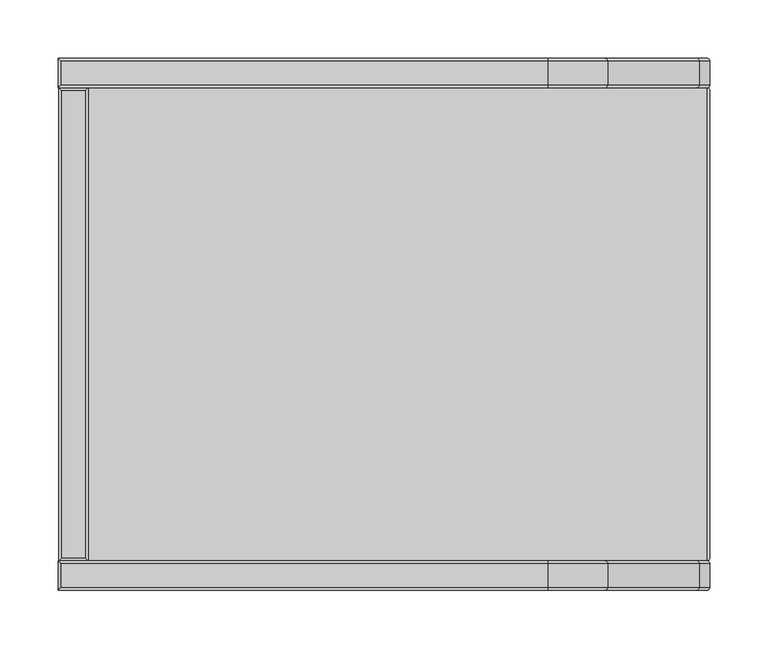
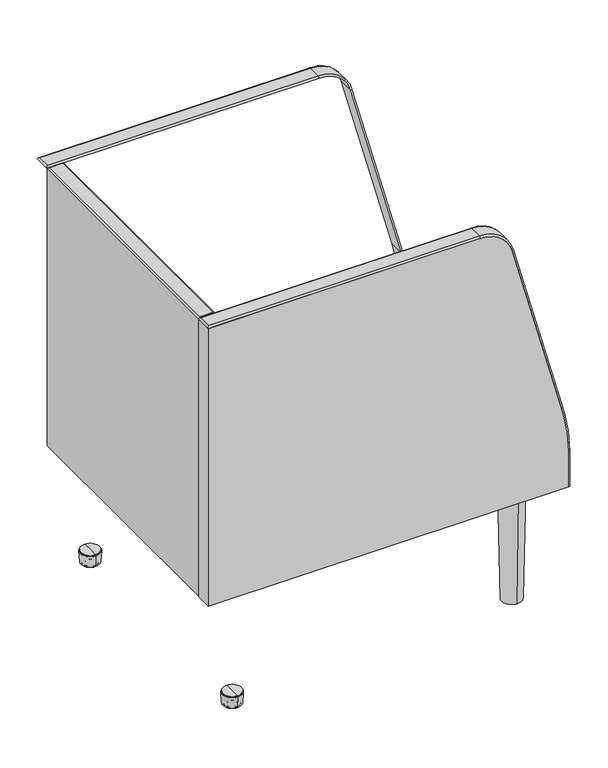
"""IFC4 building model written with IfcOpenShell, lengths in millimetres: furniture geometry."""

from ifc_helpers import new_model, si_unit, point, frame, frame_2d, origin, place, context, project, spatial, polyline, circle_curve, ellipse_curve, trimmed, segment, composite_curve, outline, extrude, source, transform, mapped, element, save
from ifc_brep_helpers import plane_surface, cylinder_surface, revolved_surface, advanced_brep


def furniture_e330b576(model_context):
    return source(origin(), model_context, "Body", "SolidModel", [
        advanced_brep(
        [(280.0, -205.74, 203.6953), (280.0, -226.06, 203.6953), (277.46, -228.6, 203.6953), (277.46, -203.2, 203.6953), (280.0, -205.74, 260.3955737), (280.0, -226.06, 260.3955737), (277.46, -203.2, 260.3955737), (271.3451599, -205.74, 326.1356111), (271.3451599, -226.06, 326.1356111), (268.8917083, -203.2, 325.4782107), (192.5613726, -205.74, 620.1607079), (192.5613726, -226.06, 620.1607079), (190.107921, -203.2, 619.5033075), (141.0388891, -205.74, 659.6953), (141.0388891, -226.06, 659.6953), (141.0388891, -203.2, 657.1553), (-260.95, -205.74, 659.6953), (-277.46, -205.74, 659.6953), (-277.46, -226.06, 659.6953), (-265.5459403, -226.06, 659.6953), (-260.95, -203.2, 657.1553), (-280.0, -203.2, 657.1553), (277.46, -228.6, 260.3955737), (268.8917083, -228.6, 325.4782107), (190.107921, -228.6, 619.5033075), (141.0388891, -228.6, 657.1553), (-280.0, -228.6, 657.1553), (-265.5459403, -228.6, 657.1553)],
        [
            (0, 1),
            (1, 2, circle_curve(frame((277.46, -226.06, 203.6953), z_axis=(0.0, 0.0, -1.0), x_axis=(0.0, -1.0, 0.0)), 2.54)),
            (2, 3),
            (3, 0, circle_curve(frame((277.46, -205.74, 203.6953), z_axis=(0.0, 0.0, -1.0), x_axis=(0.0, -1.0, 0.0)), 2.54)),
            (0, 4),
            (4, 5),
            (5, 1),
            (3, 6),
            (6, 4, circle_curve(frame((277.46, -205.74, 260.3955737), z_axis=(0.0, 0.0, -1.0), x_axis=(0.0, -1.0, 0.0)), 2.54)),
            (4, 7, circle_curve(frame((26.0, -205.74, 260.3955737), z_axis=(0.0, -1.0, 0.0), x_axis=(1.0, 0.0, 0.0)), 254.0)),
            (7, 8),
            (8, 5, circle_curve(frame((26.0, -226.06, 260.3955737), z_axis=(0.0, 1.0, 0.0), x_axis=(1.0, 0.0, 0.0)), 254.0)),
            (6, 9, circle_curve(frame((26.0, -203.2, 260.3955737), z_axis=(0.0, -1.0, 0.0), x_axis=(1.0, 0.0, 0.0)), 251.46)),
            (9, 7, circle_curve(frame((268.8917083, -205.74, 325.4782107), z_axis=(0.25881904510312204, 0.0, -0.9659258262889072), x_axis=(0.0, -1.0, 0.0)), 2.54)),
            (7, 10),
            (10, 11),
            (11, 8),
            (9, 12),
            (12, 10, circle_curve(frame((190.107921, -205.74, 619.5033075), z_axis=(0.25881904510312226, 0.0, -0.9659258262889072), x_axis=(0.0, -1.0, 0.0)), 2.54)),
            (10, 13, circle_curve(frame((141.0388891, -205.74, 606.3553), z_axis=(0.0, -1.0, 0.0), x_axis=(0.9659258262889057, 0.0, 0.25881904510312786)), 53.34)),
            (13, 14),
            (14, 11, circle_curve(frame((141.0388891, -226.06, 606.3553), z_axis=(0.0, 1.0, 0.0), x_axis=(0.9659258262889057, 0.0, 0.25881904510312786)), 53.34)),
            (12, 15, circle_curve(frame((141.0388891, -203.2, 606.3553), z_axis=(0.0, -1.0, 0.0), x_axis=(0.9659258262889057, 0.0, 0.25881904510312786)), 50.8)),
            (15, 13, circle_curve(frame((141.0388891, -205.74, 657.1553), z_axis=(1.0, 0.0, 0.0), x_axis=(0.0, -1.0, 0.0)), 2.54)),
            (13, 16),
            (16, 17),
            (17, 18),
            (18, 19),
            (19, 14),
            (15, 20),
            (20, 21),
            (21, 17, ellipse_curve(frame((-277.46, -205.74, 657.1553), z_axis=(0.7071067811865475, 0.7071067811865475, 0.0), x_axis=(0.7071067811865476, -0.7071067811865474, 0.0)), 3.5921024, 2.54)),
            (5, 22, circle_curve(frame((277.46, -226.06, 260.3955737), z_axis=(0.0, 0.0, -1.0), x_axis=(0.0, -1.0, 0.0)), 2.54)),
            (22, 2),
            (22, 6),
            (8, 23, circle_curve(frame((268.8917083, -226.06, 325.4782107), z_axis=(0.25881904510312204, 0.0, -0.9659258262889072), x_axis=(0.0, -1.0, 0.0)), 2.54)),
            (23, 22, circle_curve(frame((26.0, -228.6, 260.3955737), z_axis=(0.0, 1.0, 0.0), x_axis=(1.0, 0.0, 0.0)), 251.46)),
            (23, 9),
            (11, 24, circle_curve(frame((190.107921, -226.06, 619.5033075), z_axis=(0.25881904510312226, 0.0, -0.9659258262889072), x_axis=(0.0, -1.0, 0.0)), 2.54)),
            (24, 23),
            (24, 12),
            (14, 25, circle_curve(frame((141.0388891, -226.06, 657.1553), z_axis=(1.0, 0.0, 0.0), x_axis=(0.0, -1.0, 0.0)), 2.54)),
            (25, 24, circle_curve(frame((141.0388891, -228.6, 606.3553), z_axis=(0.0, 1.0, 0.0), x_axis=(0.9659258262889057, 0.0, 0.25881904510312786)), 50.8)),
            (25, 15),
            (18, 26, ellipse_curve(frame((-277.46, -226.06, 657.1553), z_axis=(0.7071067811865475, -0.7071067811865475, 0.0), x_axis=(0.7071067811865476, 0.7071067811865474, 0.0)), 3.5921024, 2.54)),
            (26, 27),
            (27, 25),
            (26, 21),
        ],
        [
            plane_surface(frame((280.0, -203.2, 203.6953), z_axis=(0.0, 0.0, -1.0), x_axis=(1.0, 0.0, 0.0))),
            plane_surface(frame((280.0, -205.74, 203.6953), z_axis=(1.0, 0.0, 0.0), x_axis=(0.0, 0.0, 1.0))),
            cylinder_surface(frame((277.46, -205.74, 203.6953), z_axis=(0.0, 0.0, -1.0), x_axis=(0.0, -1.0, 0.0)), 2.54),
            cylinder_surface(frame((26.0, -203.2, 260.3955737), z_axis=(0.0, -1.0, 0.0), x_axis=(1.0, 0.0, 0.0)), 254.0),
            revolved_surface(trimmed(ellipse_curve(frame((277.46, -205.74, 260.3955737), z_axis=(0.0, 0.0, -1.0), x_axis=(0.0, -1.0, 0.0)), 2.54, 2.54), [point((277.46, -203.2, 260.3955737))], [point((280.0, -205.74, 260.3955737))], True, "CARTESIAN"), (26.0, -203.2, 260.3955737), (0.0, -1.0, 0.0)),
            plane_surface(frame((271.3451599, -205.74, 326.1356111), z_axis=(0.9659258262889071, 0.0, 0.2588190451031223), x_axis=(-0.2588190451031223, 0.0, 0.9659258262889071))),
            cylinder_surface(frame((268.8917083, -205.74, 325.4782107), z_axis=(0.25881904510312226, 0.0, -0.9659258262889072), x_axis=(0.0, -1.0, 0.0)), 2.54),
            cylinder_surface(frame((141.0388891, -203.2, 606.3553), z_axis=(0.0, -1.0, 0.0), x_axis=(0.9659258262889057, 0.0, 0.25881904510312786)), 53.34),
            revolved_surface(trimmed(ellipse_curve(frame((190.107921, -205.74, 619.5033075), z_axis=(0.2588190451031279, 0.0, -0.9659258262889057), x_axis=(0.0, -1.0, 0.0)), 2.54, 2.54), [point((190.107921, -203.2, 619.5033075))], [point((192.5613726, -205.74, 620.1607079))], True, "CARTESIAN"), (141.0388891, -203.2, 606.3553), (0.0, -1.0, 0.0)),
            plane_surface(frame((141.0388891, -205.74, 659.6953), z_axis=(0.0, 0.0, 1.0), x_axis=(-1.0, 0.0, 0.0))),
            cylinder_surface(frame((141.0388891, -205.74, 657.1553), z_axis=(1.0, 0.0, 0.0), x_axis=(0.0, -1.0, 0.0)), 2.54),
            cylinder_surface(frame((277.46, -226.06, 203.6953), z_axis=(0.0, 0.0, -1.0), x_axis=(0.0, -1.0, 0.0)), 2.54),
            plane_surface(frame((277.46, -228.6, 203.6953), z_axis=(-1.0, 0.0, 0.0), x_axis=(0.0, 0.0, 1.0))),
            revolved_surface(trimmed(ellipse_curve(frame((277.46, -226.06, 260.3955737), z_axis=(0.0, 0.0, -1.0), x_axis=(0.0, -1.0, 0.0)), 2.54, 2.54), [point((280.0, -226.06, 260.3955737))], [point((277.46, -228.6, 260.3955737))], True, "CARTESIAN"), (26.0, -203.2, 260.3955737), (0.0, -1.0, 0.0)),
            revolved_surface(polyline([(277.46000000000004, -228.6, 260.3955737), (277.46000000000004, -203.2, 260.3955737)]), (26.0, -203.2, 260.3955737), (0.0, -1.0, 0.0)),
            cylinder_surface(frame((268.8917083, -226.06, 325.4782107), z_axis=(0.25881904510312226, 0.0, -0.9659258262889072), x_axis=(0.0, -1.0, 0.0)), 2.54),
            plane_surface(frame((268.8917083, -228.6, 325.4782107), z_axis=(-0.9659258262889071, 0.0, -0.25881904510312215), x_axis=(-0.25881904510312215, 0.0, 0.9659258262889071))),
            revolved_surface(trimmed(ellipse_curve(frame((190.107921, -226.06, 619.5033075), z_axis=(0.2588190451031279, 0.0, -0.9659258262889057), x_axis=(0.0, -1.0, 0.0)), 2.54, 2.54), [point((192.5613726, -226.06, 620.1607079))], [point((190.107921, -228.6, 619.5033075))], True, "CARTESIAN"), (141.0388891, -203.2, 606.3553), (0.0, -1.0, 0.0)),
            revolved_surface(polyline([(190.1079210754764, -228.6, 619.503307491239), (190.1079210754764, -203.2, 619.503307491239)]), (141.0388891, -203.2, 606.3553), (0.0, -1.0, 0.0)),
            cylinder_surface(frame((141.0388891, -226.06, 657.1553), z_axis=(1.0, 0.0, 0.0), x_axis=(0.0, -1.0, 0.0)), 2.54),
            plane_surface(frame((141.0388891, -228.6, 657.1553), z_axis=(0.0, 0.0, -1.0), x_axis=(-1.0, 0.0, 0.0))),
            cylinder_surface(frame((-277.46, -228.6, 657.1553), z_axis=(0.0, 1.0, 0.0), x_axis=(1.0, 0.0, 0.0)), 2.54),
        ],
        [
            (0, [[1, 2, 3, 4]]),
            (1, [[-1, 5, 6, 7]]),
            (2, [[-4, 8, 9, -5]]),
            (3, [[-6, 10, 11, 12]]),
            (4, [[-9, 13, 14, -10]]),
            (5, [[-11, 15, 16, 17]]),
            (6, [[-14, 18, 19, -15]]),
            (7, [[-16, 20, 21, 22]]),
            (8, [[-19, 23, 24, -20]]),
            (9, [[-21, 25, 26, 27, 28, 29]]),
            (10, [[-24, 30, 31, 32, -26, -25]]),
            (11, [[-2, -7, 33, 34]]),
            (12, [[-3, -34, 35, -8]]),
            (13, [[-12, 36, 37, -33]]),
            (14, [[-13, -35, -37, 38]]),
            (15, [[-17, 39, 40, -36]]),
            (16, [[-18, -38, -40, 41]]),
            (17, [[-22, 42, 43, -39]]),
            (18, [[-23, -41, -43, 44]]),
            (19, [[-42, -29, -28, 45, 46, 47]]),
            (20, [[-44, -47, -46, 48, -31, -30]]),
            (21, [[-27, -32, -48, -45]]),
        ],
    ),
        advanced_brep(
        [(280.0, 205.74, 203.6953), (277.46, 203.2, 203.6953), (277.46, 228.6, 203.6953), (280.0, 226.06, 203.6953), (280.0, 226.06, 260.3955737), (280.0, 205.74, 260.3955737), (277.46, 203.2, 260.3955737), (271.3451599, 226.06, 326.1356111), (271.3451599, 205.74, 326.1356111), (268.8917083, 203.2, 325.4782107), (192.5613726, 226.06, 620.1607079), (192.5613726, 205.74, 620.1607079), (190.107921, 203.2, 619.5033075), (141.0388891, 226.06, 659.6953), (141.0388891, 205.74, 659.6953), (141.0388891, 203.2, 657.1553), (-265.5459403, 226.06, 659.6953), (-277.46, 226.06, 659.6953), (-277.46, 205.74, 659.6953), (-260.95, 205.74, 659.6953), (-280.0, 203.2, 657.1553), (-260.95, 203.2, 657.1553), (277.46, 228.6, 260.3955737), (268.8917083, 228.6, 325.4782107), (190.107921, 228.6, 619.5033075), (141.0388891, 228.6, 657.1553), (-265.5459403, 228.6, 657.1553), (-280.0, 228.6, 657.1553)],
        [
            (0, 1, circle_curve(frame((277.46, 205.74, 203.6953), z_axis=(0.0, 0.0, -1.0), x_axis=(0.0, -1.0, 0.0)), 2.54)),
            (1, 2),
            (2, 3, circle_curve(frame((277.46, 226.06, 203.6953), z_axis=(0.0, 0.0, -1.0), x_axis=(0.0, -1.0, 0.0)), 2.54)),
            (3, 0),
            (3, 4),
            (4, 5),
            (5, 0),
            (5, 6, circle_curve(frame((277.46, 205.74, 260.3955737), z_axis=(0.0, 0.0, -1.0), x_axis=(0.0, -1.0, 0.0)), 2.54)),
            (6, 1),
            (4, 7, circle_curve(frame((26.0, 226.06, 260.3955737), z_axis=(0.0, -1.0, 0.0), x_axis=(1.0, 0.0, 0.0)), 254.0)),
            (7, 8),
            (8, 5, circle_curve(frame((26.0, 205.74, 260.3955737), z_axis=(0.0, 1.0, 0.0), x_axis=(1.0, 0.0, 0.0)), 254.0)),
            (8, 9, circle_curve(frame((268.8917083, 205.74, 325.4782107), z_axis=(0.25881904510312204, 0.0, -0.9659258262889072), x_axis=(0.0, -1.0, 0.0)), 2.54)),
            (9, 6, circle_curve(frame((26.0, 203.2, 260.3955737), z_axis=(0.0, 1.0, 0.0), x_axis=(1.0, 0.0, 0.0)), 251.46)),
            (7, 10),
            (10, 11),
            (11, 8),
            (11, 12, circle_curve(frame((190.107921, 205.74, 619.5033075), z_axis=(0.25881904510312226, 0.0, -0.9659258262889072), x_axis=(0.0, -1.0, 0.0)), 2.54)),
            (12, 9),
            (10, 13, circle_curve(frame((141.0388891, 226.06, 606.3553), z_axis=(0.0, -1.0, 0.0), x_axis=(0.9659258262889057, 0.0, 0.25881904510312786)), 53.34)),
            (13, 14),
            (14, 11, circle_curve(frame((141.0388891, 205.74, 606.3553), z_axis=(0.0, 1.0, 0.0), x_axis=(0.9659258262889057, 0.0, 0.25881904510312786)), 53.34)),
            (14, 15, circle_curve(frame((141.0388891, 205.74, 657.1553), z_axis=(1.0, 0.0, 0.0), x_axis=(0.0, -1.0, 0.0)), 2.54)),
            (15, 12, circle_curve(frame((141.0388891, 203.2, 606.3553), z_axis=(0.0, 1.0, 0.0), x_axis=(0.9659258262889057, 0.0, 0.25881904510312786)), 50.8)),
            (13, 16),
            (16, 17),
            (17, 18),
            (18, 19),
            (19, 14),
            (18, 20, ellipse_curve(frame((-277.46, 205.74, 657.1553), z_axis=(0.7071067811865475, -0.7071067811865475, 0.0), x_axis=(0.7071067811865476, 0.7071067811865474, 0.0)), 3.5921024, 2.54)),
            (20, 21),
            (21, 15),
            (2, 22),
            (22, 4, circle_curve(frame((277.46, 226.06, 260.3955737), z_axis=(0.0, 0.0, -1.0), x_axis=(0.0, -1.0, 0.0)), 2.54)),
            (6, 22),
            (22, 23, circle_curve(frame((26.0, 228.6, 260.3955737), z_axis=(0.0, -1.0, 0.0), x_axis=(1.0, 0.0, 0.0)), 251.46)),
            (23, 7, circle_curve(frame((268.8917083, 226.06, 325.4782107), z_axis=(0.25881904510312187, 0.0, -0.9659258262889072), x_axis=(0.0, -1.0, 0.0)), 2.54)),
            (9, 23),
            (23, 24),
            (24, 10, circle_curve(frame((190.107921, 226.06, 619.5033075), z_axis=(0.25881904510312226, 0.0, -0.9659258262889072), x_axis=(0.0, -1.0, 0.0)), 2.54)),
            (12, 24),
            (24, 25, circle_curve(frame((141.0388891, 228.6, 606.3553), z_axis=(0.0, -1.0, 0.0), x_axis=(0.9659258262889057, 0.0, 0.25881904510312786)), 50.8)),
            (25, 13, circle_curve(frame((141.0388891, 226.06, 657.1553), z_axis=(1.0, 0.0, 0.0), x_axis=(0.0, -1.0, 0.0)), 2.54)),
            (15, 25),
            (25, 26),
            (26, 27),
            (27, 17, ellipse_curve(frame((-277.46, 226.06, 657.1553), z_axis=(0.7071067811865475, 0.7071067811865475, 0.0), x_axis=(0.7071067811865476, -0.7071067811865474, 0.0)), 3.5921024, 2.54)),
            (20, 27),
        ],
        [
            plane_surface(frame((280.0, 203.2, 203.6953), z_axis=(0.0, 0.0, -1.0), x_axis=(1.0, 0.0, 0.0))),
            plane_surface(frame((280.0, 226.06, 203.6953), z_axis=(1.0, 0.0, 0.0), x_axis=(0.0, 0.0, 1.0))),
            cylinder_surface(frame((277.46, 205.74, 203.6953), z_axis=(0.0, 0.0, -1.0), x_axis=(0.0, -1.0, 0.0)), 2.54),
            cylinder_surface(frame((26.0, 203.2, 260.3955737), z_axis=(0.0, -1.0, 0.0), x_axis=(1.0, 0.0, 0.0)), 254.0),
            revolved_surface(trimmed(ellipse_curve(frame((277.46, 205.74, 260.3955737), z_axis=(0.0, 0.0, -1.0), x_axis=(0.0, -1.0, 0.0)), 2.54, 2.54), [point((280.0, 205.74, 260.3955737))], [point((277.46, 203.2, 260.3955737))], True, "CARTESIAN"), (26.0, 203.2, 260.3955737), (0.0, -1.0, 0.0)),
            plane_surface(frame((271.3451599, 226.06, 326.1356111), z_axis=(0.9659258262889071, 0.0, 0.2588190451031223), x_axis=(-0.2588190451031223, 0.0, 0.9659258262889071))),
            cylinder_surface(frame((268.8917083, 205.74, 325.4782107), z_axis=(0.25881904510312226, 0.0, -0.9659258262889072), x_axis=(0.0, -1.0, 0.0)), 2.54),
            cylinder_surface(frame((141.0388891, 203.2, 606.3553), z_axis=(0.0, -1.0, 0.0), x_axis=(0.9659258262889057, 0.0, 0.25881904510312786)), 53.34),
            revolved_surface(trimmed(ellipse_curve(frame((190.107921, 205.74, 619.5033075), z_axis=(0.2588190451031279, 0.0, -0.9659258262889057), x_axis=(0.0, -1.0, 0.0)), 2.54, 2.54), [point((192.5613726, 205.74, 620.1607079))], [point((190.107921, 203.2, 619.5033075))], True, "CARTESIAN"), (141.0388891, 203.2, 606.3553), (0.0, -1.0, 0.0)),
            plane_surface(frame((141.0388891, 226.06, 659.6953), z_axis=(0.0, 0.0, 1.0), x_axis=(-1.0, 0.0, 0.0))),
            cylinder_surface(frame((141.0388891, 205.74, 657.1553), z_axis=(1.0, 0.0, 0.0), x_axis=(0.0, -1.0, 0.0)), 2.54),
            cylinder_surface(frame((277.46, 226.06, 203.6953), z_axis=(0.0, 0.0, -1.0), x_axis=(0.0, -1.0, 0.0)), 2.54),
            plane_surface(frame((277.46, 203.2, 203.6953), z_axis=(-1.0, 0.0, 0.0), x_axis=(0.0, 0.0, 1.0))),
            revolved_surface(trimmed(ellipse_curve(frame((277.46, 226.06, 260.3955737), z_axis=(0.0, 0.0, -1.0), x_axis=(0.0, -1.0, 0.0)), 2.54, 2.54), [point((277.46, 228.6, 260.3955737))], [point((280.0, 226.06, 260.3955737))], True, "CARTESIAN"), (26.0, 203.2, 260.3955737), (0.0, -1.0, 0.0)),
            revolved_surface(polyline([(277.46000000000004, 203.2, 260.3955737), (277.46000000000004, 228.6, 260.3955737)]), (26.0, 203.2, 260.3955737), (0.0, -1.0, 0.0)),
            cylinder_surface(frame((268.8917083, 226.06, 325.4782107), z_axis=(0.25881904510312226, 0.0, -0.9659258262889072), x_axis=(0.0, -1.0, 0.0)), 2.54),
            plane_surface(frame((268.8917083, 203.2, 325.4782107), z_axis=(-0.9659258262889071, 0.0, -0.2588190451031222), x_axis=(-0.2588190451031222, 0.0, 0.9659258262889071))),
            revolved_surface(trimmed(ellipse_curve(frame((190.107921, 226.06, 619.5033075), z_axis=(0.2588190451031279, 0.0, -0.9659258262889057), x_axis=(0.0, -1.0, 0.0)), 2.54, 2.54), [point((190.107921, 228.6, 619.5033075))], [point((192.5613726, 226.06, 620.1607079))], True, "CARTESIAN"), (141.0388891, 203.2, 606.3553), (0.0, -1.0, 0.0)),
            revolved_surface(polyline([(190.1079210754764, 203.2, 619.503307491239), (190.1079210754764, 228.6, 619.503307491239)]), (141.0388891, 203.2, 606.3553), (0.0, -1.0, 0.0)),
            cylinder_surface(frame((141.0388891, 226.06, 657.1553), z_axis=(1.0, 0.0, 0.0), x_axis=(0.0, -1.0, 0.0)), 2.54),
            plane_surface(frame((141.0388891, 203.2, 657.1553), z_axis=(0.0, 0.0, -1.0), x_axis=(-1.0, 0.0, 0.0))),
            cylinder_surface(frame((-277.46, 228.6, 657.1553), z_axis=(0.0, -1.0, 0.0), x_axis=(-1.0, 0.0, 0.0)), 2.54),
        ],
        [
            (0, [[1, 2, 3, 4]]),
            (1, [[-4, 5, 6, 7]]),
            (2, [[-1, -7, 8, 9]]),
            (3, [[-6, 10, 11, 12]]),
            (4, [[-8, -12, 13, 14]]),
            (5, [[-11, 15, 16, 17]]),
            (6, [[-13, -17, 18, 19]]),
            (7, [[-16, 20, 21, 22]]),
            (8, [[-18, -22, 23, 24]]),
            (9, [[-21, 25, 26, 27, 28, 29]]),
            (10, [[-23, -29, -28, 30, 31, 32]]),
            (11, [[-3, 33, 34, -5]]),
            (12, [[-2, -9, 35, -33]]),
            (13, [[-10, -34, 36, 37]]),
            (14, [[-14, 38, -36, -35]]),
            (15, [[-15, -37, 39, 40]]),
            (16, [[-19, 41, -39, -38]]),
            (17, [[-20, -40, 42, 43]]),
            (18, [[-24, 44, -42, -41]]),
            (19, [[-43, 45, 46, 47, -26, -25]]),
            (20, [[-44, -32, -31, 48, -46, -45]]),
            (21, [[-27, -47, -48, -30]]),
        ],
    ),
        advanced_brep(
        [(211.4, -208.9342959, 199.1233), (211.4, -171.1657041, 199.1233), (211.4, -190.05, 199.1233), (211.4, -205.298044, 21.4249), (211.4, -174.801956, 21.4249), (211.4, -190.05, 21.4249)],
        [
            (0, 1, circle_curve(frame((211.4, -190.05, 199.1233), z_axis=(0.0, 0.0, 1.0), x_axis=(0.0, 1.0, 0.0)), 18.8842959)),
            (1, 2),
            (2, 0),
            (1, 0, circle_curve(frame((211.4, -190.05, 199.1233), z_axis=(0.0, 0.0, 1.0), x_axis=(0.0, 1.0, 0.0)), 18.8842959)),
            (3, 4, circle_curve(frame((211.4, -190.05, 21.4249), z_axis=(0.0, 0.0, 1.0), x_axis=(0.0, 1.0, 0.0)), 15.248044)),
            (4, 1),
            (0, 3),
            (4, 3, circle_curve(frame((211.4, -190.05, 21.4249), z_axis=(0.0, 0.0, 1.0), x_axis=(0.0, 1.0, 0.0)), 15.248044)),
            (5, 4),
            (3, 5),
        ],
        [
            plane_surface(frame((211.4, -190.05, 199.1233), z_axis=(0.0, 0.0, 1.0), x_axis=(0.0, 1.0, 0.0))),
            revolved_surface(polyline([(211.4, -171.1657041, 199.1233), (211.4, -174.801956, 21.4249)]), (211.4, -190.05, 21.4249), (0.0, 0.0, -1.0)),
            plane_surface(frame((211.4, -190.05, 21.4249), z_axis=(0.0, 0.0, -1.0), x_axis=(0.0, 1.0, 0.0))),
        ],
        [
            (0, [[1, 2, 3]]),
            (0, [[4, -3, -2]]),
            (1, [[5, 6, -1, 7]]),
            (1, [[8, -7, -4, -6]]),
            (2, [[9, -5, 10]]),
            (2, [[-10, -8, -9]]),
        ],
    ),
        advanced_brep(
        [(-220.6, -196.4790815, 1.1063387), (-220.6, -183.6209185, 1.1063387), (-220.6, -190.05, 1.1063387), (-220.6, -200.7492843, 0.0), (-220.6, -179.3507157, 0.0), (-220.6, -182.3482214, 0.0), (-220.6, -197.7517786, 0.0), (-220.6, -201.8714808, 1.1221965), (-220.6, -178.2285192, 1.1221965), (-220.6, -202.9279522, 2.38125), (-220.6, -177.1720478, 2.38125), (-220.6, -204.3140455, 2.38125), (-220.6, -175.7859545, 2.38125), (-220.6, -205.2392, 20.03425), (-220.6, -174.8608, 20.03425), (-220.6, -204.4373425, 20.03425), (-220.6, -175.6626575, 20.03425), (-220.6, -204.2419061, 21.4249), (-220.6, -175.8580939, 21.4249), (-220.6, -190.05, 21.4249)],
        [
            (0, 1, circle_curve(frame((-220.6, -190.05, 1.1063387), z_axis=(0.0, 0.0, -1.0), x_axis=(0.0, 1.0, 0.0)), 6.4290815)),
            (1, 2),
            (2, 0),
            (1, 0, circle_curve(frame((-220.6, -190.05, 1.1063387), z_axis=(0.0, 0.0, -1.0), x_axis=(0.0, 1.0, 0.0)), 6.4290815)),
            (3, 4, circle_curve(frame((-220.6, -190.05, 0.0), z_axis=(0.0, 0.0, -1.0), x_axis=(0.0, 1.0, 0.0)), 10.6992843)),
            (4, 5),
            (5, 6, circle_curve(frame((-220.6, -190.05, 0.0), z_axis=(0.0, 0.0, 1.0), x_axis=(0.0, 1.0, 0.0)), 7.7017786)),
            (6, 3),
            (4, 3, circle_curve(frame((-220.6, -190.05, 0.0), z_axis=(0.0, 0.0, -1.0), x_axis=(0.0, 1.0, 0.0)), 10.6992843)),
            (6, 5, circle_curve(frame((-220.6, -190.05, 0.0), z_axis=(0.0, 0.0, 1.0), x_axis=(0.0, 1.0, 0.0)), 7.7017786)),
            (7, 8, circle_curve(frame((-220.6, -190.05, 1.1221965), z_axis=(0.0, 0.0, -1.0), x_axis=(0.0, 1.0, 0.0)), 11.8214808)),
            (8, 4, circle_curve(frame((-220.6, -179.3507157, 1.1221965), z_axis=(-1.0, 0.0, 0.0), x_axis=(0.0, 1.0, 0.0)), 1.1221965)),
            (3, 7, circle_curve(frame((-220.6, -200.7492843, 1.1221965), z_axis=(-1.0, 0.0, 0.0), x_axis=(0.0, -1.0, 0.0)), 1.1221965)),
            (8, 7, circle_curve(frame((-220.6, -190.05, 1.1221965), z_axis=(0.0, 0.0, -1.0), x_axis=(0.0, 1.0, 0.0)), 11.8214808)),
            (9, 10, circle_curve(frame((-220.6, -190.05, 2.38125), z_axis=(0.0, 0.0, -1.0), x_axis=(0.0, 1.0, 0.0)), 12.8779522)),
            (10, 8, circle_curve(frame((-220.6, -177.0588716, 1.2135148), z_axis=(1.0, 0.0, 0.0), x_axis=(0.0, 1.0, 0.0)), 1.1732069)),
            (7, 9, circle_curve(frame((-220.6, -203.0411284, 1.2135148), z_axis=(1.0, 0.0, 0.0), x_axis=(0.0, -1.0, 0.0)), 1.1732069)),
            (10, 9, circle_curve(frame((-220.6, -190.05, 2.38125), z_axis=(0.0, 0.0, -1.0), x_axis=(0.0, 1.0, 0.0)), 12.8779522)),
            (11, 12, circle_curve(frame((-220.6, -190.05, 2.38125), z_axis=(0.0, 0.0, -1.0), x_axis=(0.0, 1.0, 0.0)), 14.2640455)),
            (12, 10),
            (9, 11),
            (12, 11, circle_curve(frame((-220.6, -190.05, 2.38125), z_axis=(0.0, 0.0, -1.0), x_axis=(0.0, 1.0, 0.0)), 14.2640455)),
            (13, 14, circle_curve(frame((-220.6, -190.05, 20.03425), z_axis=(0.0, 0.0, -1.0), x_axis=(0.0, 1.0, 0.0)), 15.1892)),
            (14, 12),
            (11, 13),
            (14, 13, circle_curve(frame((-220.6, -190.05, 20.03425), z_axis=(0.0, 0.0, -1.0), x_axis=(0.0, 1.0, 0.0)), 15.1892)),
            (5, 1, circle_curve(frame((-220.6, -182.0885284, 1.5839472), z_axis=(-1.0, 0.0, 0.0), x_axis=(0.0, 1.0, 0.0)), 1.6050948)),
            (0, 6, circle_curve(frame((-220.6, -198.0114716, 1.5839472), z_axis=(-1.0, 0.0, 0.0), x_axis=(0.0, -1.0, 0.0)), 1.6050948)),
            (15, 16, circle_curve(frame((-220.6, -190.05, 20.03425), z_axis=(0.0, 0.0, -1.0), x_axis=(0.0, 1.0, 0.0)), 14.3873425)),
            (16, 14),
            (13, 15),
            (16, 15, circle_curve(frame((-220.6, -190.05, 20.03425), z_axis=(0.0, 0.0, -1.0), x_axis=(0.0, 1.0, 0.0)), 14.3873425)),
            (17, 18, circle_curve(frame((-220.6, -190.05, 21.4249), z_axis=(0.0, 0.0, -1.0), x_axis=(0.0, 1.0, 0.0)), 14.1919061)),
            (18, 16),
            (15, 17),
            (18, 17, circle_curve(frame((-220.6, -190.05, 21.4249), z_axis=(0.0, 0.0, -1.0), x_axis=(0.0, 1.0, 0.0)), 14.1919061)),
            (19, 18),
            (17, 19),
        ],
        [
            plane_surface(frame((-220.6, -190.05, 1.1063387), z_axis=(0.0, 0.0, -1.0), x_axis=(0.0, 1.0, 0.0))),
            plane_surface(frame((-220.6, -190.05, 0.0), z_axis=(0.0, 0.0, -1.0), x_axis=(0.0, 1.0, 0.0))),
            revolved_surface(trimmed(ellipse_curve(frame((-220.6, -179.3507157, 1.1221965), z_axis=(1.0, 0.0, 0.0), x_axis=(0.0, 1.0, 0.0)), 1.1221965, 1.1221965), [point((-220.6, -179.3507157, 0.0))], [point((-220.6, -178.2285192, 1.1221965))], True, "CARTESIAN"), (-220.6, -190.05, -21.4985456), (0.0, 0.0, 1.0)),
            revolved_surface(trimmed(ellipse_curve(frame((-220.6, -177.0588716, 1.2135148), z_axis=(-1.0, 0.0, 0.0), x_axis=(0.0, 1.0, 0.0)), 1.1732069, 1.1732069), [point((-220.6, -178.2285192, 1.1221965))], [point((-220.6, -177.1720478, 2.38125))], True, "CARTESIAN"), (-220.6, -190.05, -21.4985456), (0.0, 0.0, 1.0)),
            plane_surface(frame((-220.6, -190.05, 2.38125), z_axis=(0.0, 0.0, -1.0), x_axis=(0.0, 1.0, 0.0))),
            revolved_surface(polyline([(-220.6, -175.7859545, 2.38125), (-220.6, -174.8608, 20.03425)]), (-220.6, -190.05, -21.4985456), (0.0, 0.0, 1.0)),
            revolved_surface(trimmed(ellipse_curve(frame((-220.6, -182.0885284, 1.5839472), z_axis=(1.0, 0.0, 0.0), x_axis=(0.0, 1.0, 0.0)), 1.6050948, 1.6050948), [point((-220.6, -183.6209185, 1.1063387))], [point((-220.6, -182.3482214, 0.0))], True, "CARTESIAN"), (-220.6, -190.05, -21.4985456), (0.0, 0.0, 1.0)),
            plane_surface(frame((-220.6, -190.05, 20.03425), z_axis=(0.0, 0.0, 1.0), x_axis=(0.0, 1.0, 0.0))),
            revolved_surface(polyline([(-220.6, -175.6626575, 20.03425), (-220.6, -175.8580939, 21.4249)]), (-220.6, -190.05, -21.4985456), (0.0, 0.0, 1.0)),
            plane_surface(frame((-220.6, -190.05, 21.4249), z_axis=(0.0, 0.0, 1.0), x_axis=(0.0, 1.0, 0.0))),
        ],
        [
            (0, [[1, 2, 3]]),
            (0, [[4, -3, -2]]),
            (1, [[5, 6, 7, 8]]),
            (1, [[9, -8, 10, -6]]),
            (2, [[11, 12, -5, 13]]),
            (2, [[14, -13, -9, -12]]),
            (3, [[15, 16, -11, 17]]),
            (3, [[18, -17, -14, -16]]),
            (4, [[19, 20, -15, 21]]),
            (4, [[22, -21, -18, -20]]),
            (5, [[23, 24, -19, 25]]),
            (5, [[26, -25, -22, -24]]),
            (6, [[-7, 27, -1, 28]]),
            (6, [[-10, -28, -4, -27]]),
            (7, [[29, 30, -23, 31]]),
            (7, [[32, -31, -26, -30]]),
            (8, [[33, 34, -29, 35]]),
            (8, [[36, -35, -32, -34]]),
            (9, [[37, -33, 38]]),
            (9, [[-38, -36, -37]]),
        ],
    ),
        advanced_brep(
        [(-220.6, 190.05, 1.1063387), (-220.6, 183.6209185, 1.1063387), (-220.6, 196.4790815, 1.1063387), (-220.6, 197.7517786, 0.0), (-220.6, 182.3482214, 0.0), (-220.6, 179.3507157, 0.0), (-220.6, 200.7492843, 0.0), (-220.6, 178.2285192, 1.1221965), (-220.6, 201.8714808, 1.1221965), (-220.6, 177.1720478, 2.38125), (-220.6, 202.9279522, 2.38125), (-220.6, 175.7859545, 2.38125), (-220.6, 204.3140455, 2.38125), (-220.6, 174.8608, 20.03425), (-220.6, 205.2392, 20.03425), (-220.6, 175.6626575, 20.03425), (-220.6, 204.4373425, 20.03425), (-220.6, 175.8580939, 21.4249), (-220.6, 204.2419061, 21.4249), (-220.6, 190.05, 21.4249)],
        [
            (0, 1),
            (1, 2, circle_curve(frame((-220.6, 190.05, 1.1063387), z_axis=(0.0, 0.0, -1.0), x_axis=(0.0, -1.0, 0.0)), 6.4290815)),
            (2, 0),
            (2, 1, circle_curve(frame((-220.6, 190.05, 1.1063387), z_axis=(0.0, 0.0, -1.0), x_axis=(0.0, -1.0, 0.0)), 6.4290815)),
            (3, 4, circle_curve(frame((-220.6, 190.05, 0.0), z_axis=(0.0, 0.0, 1.0), x_axis=(0.0, -1.0, 0.0)), 7.7017786)),
            (4, 5),
            (5, 6, circle_curve(frame((-220.6, 190.05, 0.0), z_axis=(0.0, 0.0, -1.0), x_axis=(0.0, -1.0, 0.0)), 10.6992843)),
            (6, 3),
            (4, 3, circle_curve(frame((-220.6, 190.05, 0.0), z_axis=(0.0, 0.0, 1.0), x_axis=(0.0, -1.0, 0.0)), 7.7017786)),
            (6, 5, circle_curve(frame((-220.6, 190.05, 0.0), z_axis=(0.0, 0.0, -1.0), x_axis=(0.0, -1.0, 0.0)), 10.6992843)),
            (5, 7, circle_curve(frame((-220.6, 179.3507157, 1.1221965), z_axis=(-1.0, 0.0, 0.0), x_axis=(0.0, -1.0, 0.0)), 1.1221965)),
            (7, 8, circle_curve(frame((-220.6, 190.05, 1.1221965), z_axis=(0.0, 0.0, -1.0), x_axis=(0.0, -1.0, 0.0)), 11.8214808)),
            (8, 6, circle_curve(frame((-220.6, 200.7492843, 1.1221965), z_axis=(-1.0, 0.0, 0.0), x_axis=(0.0, 1.0, 0.0)), 1.1221965)),
            (8, 7, circle_curve(frame((-220.6, 190.05, 1.1221965), z_axis=(0.0, 0.0, -1.0), x_axis=(0.0, -1.0, 0.0)), 11.8214808)),
            (7, 9, circle_curve(frame((-220.6, 177.0588716, 1.2135148), z_axis=(1.0, 0.0, 0.0), x_axis=(0.0, -1.0, 0.0)), 1.1732069)),
            (9, 10, circle_curve(frame((-220.6, 190.05, 2.38125), z_axis=(0.0, 0.0, -1.0), x_axis=(0.0, -1.0, 0.0)), 12.8779522)),
            (10, 8, circle_curve(frame((-220.6, 203.0411284, 1.2135148), z_axis=(1.0, 0.0, 0.0), x_axis=(0.0, 1.0, 0.0)), 1.1732069)),
            (10, 9, circle_curve(frame((-220.6, 190.05, 2.38125), z_axis=(0.0, 0.0, -1.0), x_axis=(0.0, -1.0, 0.0)), 12.8779522)),
            (9, 11),
            (11, 12, circle_curve(frame((-220.6, 190.05, 2.38125), z_axis=(0.0, 0.0, -1.0), x_axis=(0.0, -1.0, 0.0)), 14.2640455)),
            (12, 10),
            (12, 11, circle_curve(frame((-220.6, 190.05, 2.38125), z_axis=(0.0, 0.0, -1.0), x_axis=(0.0, -1.0, 0.0)), 14.2640455)),
            (11, 13),
            (13, 14, circle_curve(frame((-220.6, 190.05, 20.03425), z_axis=(0.0, 0.0, -1.0), x_axis=(0.0, -1.0, 0.0)), 15.1892)),
            (14, 12),
            (14, 13, circle_curve(frame((-220.6, 190.05, 20.03425), z_axis=(0.0, 0.0, -1.0), x_axis=(0.0, -1.0, 0.0)), 15.1892)),
            (1, 4, circle_curve(frame((-220.6, 182.0885284, 1.5839472), z_axis=(-1.0, 0.0, 0.0), x_axis=(0.0, -1.0, 0.0)), 1.6050948)),
            (3, 2, circle_curve(frame((-220.6, 198.0114716, 1.5839472), z_axis=(-1.0, 0.0, 0.0), x_axis=(0.0, 1.0, 0.0)), 1.6050948)),
            (13, 15),
            (15, 16, circle_curve(frame((-220.6, 190.05, 20.03425), z_axis=(0.0, 0.0, -1.0), x_axis=(0.0, -1.0, 0.0)), 14.3873425)),
            (16, 14),
            (16, 15, circle_curve(frame((-220.6, 190.05, 20.03425), z_axis=(0.0, 0.0, -1.0), x_axis=(0.0, -1.0, 0.0)), 14.3873425)),
            (15, 17),
            (17, 18, circle_curve(frame((-220.6, 190.05, 21.4249), z_axis=(0.0, 0.0, -1.0), x_axis=(0.0, -1.0, 0.0)), 14.1919061)),
            (18, 16),
            (18, 17, circle_curve(frame((-220.6, 190.05, 21.4249), z_axis=(0.0, 0.0, -1.0), x_axis=(0.0, -1.0, 0.0)), 14.1919061)),
            (17, 19),
            (19, 18),
        ],
        [
            plane_surface(frame((-220.6, 190.05, 1.1063387), z_axis=(0.0, 0.0, -1.0), x_axis=(0.0, -1.0, 0.0))),
            plane_surface(frame((-220.6, 190.05, 0.0), z_axis=(0.0, 0.0, -1.0), x_axis=(0.0, -1.0, 0.0))),
            revolved_surface(trimmed(ellipse_curve(frame((-220.6, 179.3507157, 1.1221965), z_axis=(1.0, 0.0, 0.0), x_axis=(0.0, -1.0, 0.0)), 1.1221965, 1.1221965), [point((-220.6, 178.2285192, 1.1221965))], [point((-220.6, 179.3507157, 0.0))], True, "CARTESIAN"), (-220.6, 190.05, -21.4985456), (0.0, 0.0, -1.0)),
            revolved_surface(trimmed(ellipse_curve(frame((-220.6, 177.0588716, 1.2135148), z_axis=(-1.0, 0.0, 0.0), x_axis=(0.0, -1.0, 0.0)), 1.1732069, 1.1732069), [point((-220.6, 177.1720478, 2.38125))], [point((-220.6, 178.2285192, 1.1221965))], True, "CARTESIAN"), (-220.6, 190.05, -21.4985456), (0.0, 0.0, -1.0)),
            plane_surface(frame((-220.6, 190.05, 2.38125), z_axis=(0.0, 0.0, -1.0), x_axis=(0.0, -1.0, 0.0))),
            revolved_surface(polyline([(-220.6, 174.8608, 20.03425), (-220.6, 175.7859545, 2.38125)]), (-220.6, 190.05, -21.4985456), (0.0, 0.0, -1.0)),
            revolved_surface(trimmed(ellipse_curve(frame((-220.6, 182.0885284, 1.5839472), z_axis=(1.0, 0.0, 0.0), x_axis=(0.0, -1.0, 0.0)), 1.6050948, 1.6050948), [point((-220.6, 182.3482214, 0.0))], [point((-220.6, 183.6209185, 1.1063387))], True, "CARTESIAN"), (-220.6, 190.05, -21.4985456), (0.0, 0.0, -1.0)),
            plane_surface(frame((-220.6, 190.05, 20.03425), z_axis=(0.0, 0.0, 1.0), x_axis=(0.0, -1.0, 0.0))),
            revolved_surface(polyline([(-220.6, 175.8580939, 21.4249), (-220.6, 175.6626575, 20.03425)]), (-220.6, 190.05, -21.4985456), (0.0, 0.0, -1.0)),
            plane_surface(frame((-220.6, 190.05, 21.4249), z_axis=(0.0, 0.0, 1.0), x_axis=(0.0, -1.0, 0.0))),
        ],
        [
            (0, [[1, 2, 3]]),
            (0, [[-3, 4, -1]]),
            (1, [[5, 6, 7, 8]]),
            (1, [[9, -8, 10, -6]]),
            (2, [[-7, 11, 12, 13]]),
            (2, [[-10, -13, 14, -11]]),
            (3, [[-12, 15, 16, 17]]),
            (3, [[-14, -17, 18, -15]]),
            (4, [[-16, 19, 20, 21]]),
            (4, [[-18, -21, 22, -19]]),
            (5, [[-20, 23, 24, 25]]),
            (5, [[-22, -25, 26, -23]]),
            (6, [[-2, 27, -5, 28]]),
            (6, [[-4, -28, -9, -27]]),
            (7, [[-24, 29, 30, 31]]),
            (7, [[-26, -31, 32, -29]]),
            (8, [[-30, 33, 34, 35]]),
            (8, [[-32, -35, 36, -33]]),
            (9, [[-34, 37, 38]]),
            (9, [[-36, -38, -37]]),
        ],
    ),
        advanced_brep(
        [(211.4, 196.4790815, 1.1063387), (211.4, 183.6209185, 1.1063387), (211.4, 190.05, 1.1063387), (211.4, 200.7492843, 0.0), (211.4, 179.3507157, 0.0), (211.4, 182.3482214, 0.0), (211.4, 197.7517786, 0.0), (211.4, 201.8714808, 1.1221965), (211.4, 178.2285192, 1.1221965), (211.4, 202.9279522, 2.38125), (211.4, 177.1720478, 2.38125), (211.4, 204.3140455, 2.38125), (211.4, 175.7859545, 2.38125), (211.4, 205.2392, 20.03425), (211.4, 174.8608, 20.03425), (211.4, 204.4373425, 20.03425), (211.4, 175.6626575, 20.03425), (211.4, 204.2419061, 21.4249), (211.4, 175.8580939, 21.4249), (211.4, 190.05, 21.4249)],
        [
            (0, 1, circle_curve(frame((211.4, 190.05, 1.1063387), z_axis=(0.0, 0.0, -1.0), x_axis=(0.0, -1.0, 0.0)), 6.4290815)),
            (1, 2),
            (2, 0),
            (1, 0, circle_curve(frame((211.4, 190.05, 1.1063387), z_axis=(0.0, 0.0, -1.0), x_axis=(0.0, -1.0, 0.0)), 6.4290815)),
            (3, 4, circle_curve(frame((211.4, 190.05, 0.0), z_axis=(0.0, 0.0, -1.0), x_axis=(0.0, -1.0, 0.0)), 10.6992843)),
            (4, 5),
            (5, 6, circle_curve(frame((211.4, 190.05, 0.0), z_axis=(0.0, 0.0, 1.0), x_axis=(0.0, -1.0, 0.0)), 7.7017786)),
            (6, 3),
            (4, 3, circle_curve(frame((211.4, 190.05, 0.0), z_axis=(0.0, 0.0, -1.0), x_axis=(0.0, -1.0, 0.0)), 10.6992843)),
            (6, 5, circle_curve(frame((211.4, 190.05, 0.0), z_axis=(0.0, 0.0, 1.0), x_axis=(0.0, -1.0, 0.0)), 7.7017786)),
            (7, 8, circle_curve(frame((211.4, 190.05, 1.1221965), z_axis=(0.0, 0.0, -1.0), x_axis=(0.0, -1.0, 0.0)), 11.8214808)),
            (8, 4, circle_curve(frame((211.4, 179.3507157, 1.1221965), z_axis=(1.0, 0.0, 0.0), x_axis=(0.0, -1.0, 0.0)), 1.1221965)),
            (3, 7, circle_curve(frame((211.4, 200.7492843, 1.1221965), z_axis=(1.0, 0.0, 0.0), x_axis=(0.0, 1.0, 0.0)), 1.1221965)),
            (8, 7, circle_curve(frame((211.4, 190.05, 1.1221965), z_axis=(0.0, 0.0, -1.0), x_axis=(0.0, -1.0, 0.0)), 11.8214808)),
            (9, 10, circle_curve(frame((211.4, 190.05, 2.38125), z_axis=(0.0, 0.0, -1.0), x_axis=(0.0, -1.0, 0.0)), 12.8779522)),
            (10, 8, circle_curve(frame((211.4, 177.0588716, 1.2135148), z_axis=(-1.0, 0.0, 0.0), x_axis=(0.0, -1.0, 0.0)), 1.1732069)),
            (7, 9, circle_curve(frame((211.4, 203.0411284, 1.2135148), z_axis=(-1.0, 0.0, 0.0), x_axis=(0.0, 1.0, 0.0)), 1.1732069)),
            (10, 9, circle_curve(frame((211.4, 190.05, 2.38125), z_axis=(0.0, 0.0, -1.0), x_axis=(0.0, -1.0, 0.0)), 12.8779522)),
            (11, 12, circle_curve(frame((211.4, 190.05, 2.38125), z_axis=(0.0, 0.0, -1.0), x_axis=(0.0, -1.0, 0.0)), 14.2640455)),
            (12, 10),
            (9, 11),
            (12, 11, circle_curve(frame((211.4, 190.05, 2.38125), z_axis=(0.0, 0.0, -1.0), x_axis=(0.0, -1.0, 0.0)), 14.2640455)),
            (13, 14, circle_curve(frame((211.4, 190.05, 20.03425), z_axis=(0.0, 0.0, -1.0), x_axis=(0.0, -1.0, 0.0)), 15.1892)),
            (14, 12),
            (11, 13),
            (14, 13, circle_curve(frame((211.4, 190.05, 20.03425), z_axis=(0.0, 0.0, -1.0), x_axis=(0.0, -1.0, 0.0)), 15.1892)),
            (5, 1, circle_curve(frame((211.4, 182.0885284, 1.5839472), z_axis=(1.0, 0.0, 0.0), x_axis=(0.0, -1.0, 0.0)), 1.6050948)),
            (0, 6, circle_curve(frame((211.4, 198.0114716, 1.5839472), z_axis=(1.0, 0.0, 0.0), x_axis=(0.0, 1.0, 0.0)), 1.6050948)),
            (15, 16, circle_curve(frame((211.4, 190.05, 20.03425), z_axis=(0.0, 0.0, -1.0), x_axis=(0.0, -1.0, 0.0)), 14.3873425)),
            (16, 14),
            (13, 15),
            (16, 15, circle_curve(frame((211.4, 190.05, 20.03425), z_axis=(0.0, 0.0, -1.0), x_axis=(0.0, -1.0, 0.0)), 14.3873425)),
            (17, 18, circle_curve(frame((211.4, 190.05, 21.4249), z_axis=(0.0, 0.0, -1.0), x_axis=(0.0, -1.0, 0.0)), 14.1919061)),
            (18, 16),
            (15, 17),
            (18, 17, circle_curve(frame((211.4, 190.05, 21.4249), z_axis=(0.0, 0.0, -1.0), x_axis=(0.0, -1.0, 0.0)), 14.1919061)),
            (19, 18),
            (17, 19),
        ],
        [
            plane_surface(frame((211.4, 190.05, 1.1063387), z_axis=(0.0, 0.0, -1.0), x_axis=(0.0, -1.0, 0.0))),
            plane_surface(frame((211.4, 190.05, 0.0), z_axis=(0.0, 0.0, -1.0), x_axis=(0.0, -1.0, 0.0))),
            revolved_surface(trimmed(ellipse_curve(frame((211.4, 179.3507157, 1.1221965), z_axis=(-1.0, 0.0, 0.0), x_axis=(0.0, -1.0, 0.0)), 1.1221965, 1.1221965), [point((211.4, 179.3507157, 0.0))], [point((211.4, 178.2285192, 1.1221965))], True, "CARTESIAN"), (211.4, 190.05, -21.4985456), (0.0, 0.0, 1.0)),
            revolved_surface(trimmed(ellipse_curve(frame((211.4, 177.0588716, 1.2135148), z_axis=(1.0, 0.0, 0.0), x_axis=(0.0, -1.0, 0.0)), 1.1732069, 1.1732069), [point((211.4, 178.2285192, 1.1221965))], [point((211.4, 177.1720478, 2.38125))], True, "CARTESIAN"), (211.4, 190.05, -21.4985456), (0.0, 0.0, 1.0)),
            plane_surface(frame((211.4, 190.05, 2.38125), z_axis=(0.0, 0.0, -1.0), x_axis=(0.0, -1.0, 0.0))),
            revolved_surface(polyline([(211.4, 175.7859545, 2.38125), (211.4, 174.8608, 20.03425)]), (211.4, 190.05, -21.4985456), (0.0, 0.0, 1.0)),
            revolved_surface(trimmed(ellipse_curve(frame((211.4, 182.0885284, 1.5839472), z_axis=(-1.0, 0.0, 0.0), x_axis=(0.0, -1.0, 0.0)), 1.6050948, 1.6050948), [point((211.4, 183.6209185, 1.1063387))], [point((211.4, 182.3482214, 0.0))], True, "CARTESIAN"), (211.4, 190.05, -21.4985456), (0.0, 0.0, 1.0)),
            plane_surface(frame((211.4, 190.05, 20.03425), z_axis=(0.0, 0.0, 1.0), x_axis=(0.0, -1.0, 0.0))),
            revolved_surface(polyline([(211.4, 175.6626575, 20.03425), (211.4, 175.8580939, 21.4249)]), (211.4, 190.05, -21.4985456), (0.0, 0.0, 1.0)),
            plane_surface(frame((211.4, 190.05, 21.4249), z_axis=(0.0, 0.0, 1.0), x_axis=(0.0, -1.0, 0.0))),
        ],
        [
            (0, [[1, 2, 3]]),
            (0, [[4, -3, -2]]),
            (1, [[5, 6, 7, 8]]),
            (1, [[9, -8, 10, -6]]),
            (2, [[11, 12, -5, 13]]),
            (2, [[14, -13, -9, -12]]),
            (3, [[15, 16, -11, 17]]),
            (3, [[18, -17, -14, -16]]),
            (4, [[19, 20, -15, 21]]),
            (4, [[22, -21, -18, -20]]),
            (5, [[23, 24, -19, 25]]),
            (5, [[26, -25, -22, -24]]),
            (6, [[-7, 27, -1, 28]]),
            (6, [[-10, -28, -4, -27]]),
            (7, [[29, 30, -23, 31]]),
            (7, [[32, -31, -26, -30]]),
            (8, [[33, 34, -29, 35]]),
            (8, [[36, -35, -32, -34]]),
            (9, [[37, -33, 38]]),
            (9, [[-38, -36, -37]]),
        ],
    ),
        extrude(outline(composite_curve([segment(polyline([(203.6953, -280.0), (203.6953, 277.46), (260.0611763, 277.46)]), True, "CONTINUOUS"), segment(trimmed(circle_curve(frame_2d((260.0611763, 23.46)), 254.0), [point((260.0611763, 277.46))], [point((325.8012138, 268.8051599))], False, "CARTESIAN"), True, "CONTINUOUS"), segment(polyline([(325.8012138, 268.8051599), (619.5033075, 190.107921)]), True, "CONTINUOUS"), segment(trimmed(circle_curve(frame_2d((606.3553, 141.0388891)), 50.8), [point((619.5033075, 190.107921))], [point((657.1553, 141.0388891))], False, "CARTESIAN"), True, "CONTINUOUS"), segment(polyline([(657.1553, 141.0388891), (657.1553, -280.0), (203.6953, -280.0)]), True, "CONTINUOUS")], self_intersect=False)), frame((0.0, -228.6, 0.0), z_axis=(0.0, 1.0, 0.0), x_axis=(0.0, 0.0, 1.0)), (0.0, 0.0, 1.0), 25.4),
        advanced_brep(
        [(-254.1992188, 203.2, 229.0953), (-254.1992188, -203.2, 229.0953), (277.46, -203.2, 229.0953), (277.46, 203.2, 229.0953), (-254.1992188, -203.2, 203.6953), (-254.1992188, 203.2, 203.6953), (277.46, 203.2, 203.6953), (277.46, -203.2, 203.6953), (280.0, -200.66, 226.5553), (280.0, -200.66, 206.2353), (280.0, 200.66, 206.2353), (280.0, 200.66, 226.5553)],
        [
            (0, 1),
            (1, 2),
            (2, 3),
            (3, 0),
            (4, 5),
            (5, 6),
            (6, 7),
            (7, 4),
            (5, 0),
            (3, 6),
            (4, 1),
            (7, 2),
            (8, 9),
            (9, 10),
            (10, 11),
            (11, 8),
            (8, 2, ellipse_curve(frame((277.46, -200.66, 226.5553), z_axis=(0.0, -0.7071067811865475, -0.7071067811865475), x_axis=(0.0, -0.7071067811865474, 0.7071067811865476)), 3.5921024, 2.54)),
            (7, 9, ellipse_curve(frame((277.46, -200.66, 206.2353), z_axis=(0.0, -0.7071067811865475, 0.7071067811865475), x_axis=(0.0, 0.7071067811865474, 0.7071067811865476)), 3.5921024, 2.54)),
            (11, 3, ellipse_curve(frame((277.46, 200.66, 226.5553), z_axis=(0.0, -0.7071067811865475, 0.7071067811865475), x_axis=(0.0, 0.7071067811865476, 0.7071067811865474)), 3.5921024, 2.54)),
            (10, 6, ellipse_curve(frame((277.46, 200.66, 206.2353), z_axis=(0.0, 0.7071067811865475, 0.7071067811865475), x_axis=(0.0, 0.7071067811865474, -0.7071067811865476)), 3.5921024, 2.54)),
        ],
        [
            plane_surface(frame((-254.1, 203.2, 229.0953), z_axis=(0.0, 0.0, 1.0), x_axis=(-1.0, 0.0, 0.0))),
            plane_surface(frame((-254.1, 203.2, 203.6953), z_axis=(0.0, 0.0, -1.0), x_axis=(1.0, 0.0, 0.0))),
            plane_surface(frame((280.0, 203.2, 229.0953), z_axis=(0.0, 1.0, 0.0), x_axis=(0.0, 0.0, -1.0))),
            plane_surface(frame((-254.1992188, 203.2, 229.0953), z_axis=(-1.0, 0.0, 0.0), x_axis=(0.0, 0.0, -1.0))),
            plane_surface(frame((-254.1992188, -203.2, 229.0953), z_axis=(0.0, -1.0, 0.0), x_axis=(0.0, 0.0, -1.0))),
            plane_surface(frame((280.0, -203.2, 229.0953), z_axis=(1.0, 0.0, 0.0), x_axis=(0.0, 0.0, -1.0))),
            cylinder_surface(frame((277.46, -200.66, 203.6953), z_axis=(0.0, 0.0, 1.0), x_axis=(-1.0, 0.0, 0.0)), 2.54),
            cylinder_surface(frame((277.46, -203.2, 226.5553), z_axis=(0.0, 1.0, 0.0), x_axis=(-1.0, 0.0, 0.0)), 2.54),
            cylinder_surface(frame((277.46, 200.66, 229.0953), z_axis=(0.0, 0.0, -1.0), x_axis=(-1.0, 0.0, 0.0)), 2.54),
            cylinder_surface(frame((277.46, 203.2, 206.2353), z_axis=(0.0, -1.0, 0.0), x_axis=(-1.0, 0.0, 0.0)), 2.54),
        ],
        [
            (0, [[1, 2, 3, 4]]),
            (1, [[5, 6, 7, 8]]),
            (2, [[9, -4, 10, -6]]),
            (3, [[-1, -9, -5, 11]]),
            (4, [[-11, -8, 12, -2]]),
            (5, [[13, 14, 15, 16]]),
            (6, [[17, -12, 18, -13]]),
            (7, [[-17, -16, 19, -3]]),
            (8, [[-19, -15, 20, -10]]),
            (9, [[-18, -7, -20, -14]]),
        ],
    ),
        advanced_brep(
        [(-256.6851978, -200.714021, 658.6953), (-256.6851978, 200.714021, 658.6953), (-277.014021, 200.714021, 658.6953), (-277.014021, -200.714021, 658.6953), (-254.1992188, -203.2, 203.6953), (-279.5, -203.2, 203.6953), (-279.5, 203.2, 203.6953), (-254.1992188, 203.2, 203.6953), (-254.1992188, 203.2, 656.209321), (-254.1992188, -203.2, 656.209321), (-279.5, 203.2, 656.209321), (-279.5, -203.2, 656.209321)],
        [
            (0, 1),
            (1, 2),
            (2, 3),
            (3, 0),
            (4, 5),
            (5, 6),
            (6, 7),
            (7, 4),
            (7, 8),
            (8, 9),
            (9, 4),
            (6, 10),
            (10, 8),
            (5, 11),
            (11, 10),
            (9, 11),
            (8, 1, ellipse_curve(frame((-256.6851978, 200.714021, 656.209321), z_axis=(0.7071067811865483, -0.7071067811865468, 0.0), x_axis=(0.7071067811865468, 0.7071067811865482, 0.0)), 3.5157052, 2.485979)),
            (0, 9, ellipse_curve(frame((-256.6851978, -200.714021, 656.209321), z_axis=(0.7071067811865467, 0.7071067811865485, 0.0), x_axis=(-0.7071067811865485, 0.7071067811865465, 0.0)), 3.5157052, 2.485979)),
            (10, 2, ellipse_curve(frame((-277.014021, 200.714021, 656.209321), z_axis=(0.7071067811865489, 0.707106781186546, 0.0), x_axis=(-0.7071067811865461, 0.7071067811865489, 0.0)), 3.5157052, 2.485979)),
            (11, 3, ellipse_curve(frame((-277.014021, -200.714021, 656.209321), z_axis=(-0.7071067811865461, 0.7071067811865489, 0.0), x_axis=(-0.7071067811865489, -0.7071067811865462, 0.0)), 3.5157052, 2.485979)),
        ],
        [
            plane_surface(frame((-254.1992188, 203.2, 658.6953), z_axis=(0.0, 0.0, 1.0), x_axis=(0.0, 1.0, 0.0))),
            plane_surface(frame((-254.1992188, 203.2, 203.6953), z_axis=(0.0, 0.0, -1.0), x_axis=(0.0, -1.0, 0.0))),
            plane_surface(frame((-254.1992188, -203.2, 658.6953), z_axis=(1.0, 0.0, 0.0), x_axis=(0.0, 0.0, -1.0))),
            plane_surface(frame((-254.1992188, 203.2, 658.6953), z_axis=(0.0, 1.0, 0.0), x_axis=(0.0, 0.0, -1.0))),
            plane_surface(frame((-279.5, 203.2, 658.6953), z_axis=(-1.0, 0.0, 0.0), x_axis=(0.0, 0.0, -1.0))),
            plane_surface(frame((-279.5, -203.2, 658.6953), z_axis=(0.0, -1.0, 0.0), x_axis=(0.0, 0.0, -1.0))),
            cylinder_surface(frame((-256.6851978, -203.2, 656.209321), z_axis=(0.0, 1.0, 0.0), x_axis=(-1.0, 0.0, 0.0)), 2.485979),
            cylinder_surface(frame((-254.1992188, 200.714021, 656.209321), z_axis=(-1.0, 0.0, 0.0), x_axis=(0.0, -1.0, 0.0)), 2.485979),
            cylinder_surface(frame((-277.014021, 203.2, 656.209321), z_axis=(0.0, -1.0, 0.0), x_axis=(1.0, 0.0, 0.0)), 2.485979),
            cylinder_surface(frame((-279.5, -200.714021, 656.209321), z_axis=(1.0, 0.0, 0.0), x_axis=(0.0, 1.0, 0.0)), 2.485979),
        ],
        [
            (0, [[1, 2, 3, 4]]),
            (1, [[5, 6, 7, 8]]),
            (2, [[-8, 9, 10, 11]]),
            (3, [[-7, 12, 13, -9]]),
            (4, [[-6, 14, 15, -12]]),
            (5, [[-5, -11, 16, -14]]),
            (6, [[17, -1, 18, -10]]),
            (7, [[-17, -13, 19, -2]]),
            (8, [[-19, -15, 20, -3]]),
            (9, [[-18, -4, -20, -16]]),
        ],
    ),
    ])


if __name__ == "__main__":
    model = new_model("IFC4")
    model_context = context("Model", 3, world=origin())
    ifc_project = project(units=[si_unit("LENGTHUNIT", "METRE", prefix="MILLI")], contexts=[model_context])
    site = spatial("IfcSite", under=ifc_project)
    building = spatial("IfcBuilding", under=site)
    placement = place(None, origin())
    furniture_shape = furniture_e330b576(model_context)
    element("IfcFurniture", 1, at=placement, inside=building, context=model_context, shape_type="MappedRepresentation", body=[
        mapped(furniture_shape, transform((0.0, 0.0, 0.0), x_axis=(1.0, 0.0, 0.0), y_axis=(0.0, 1.0, 0.0), z_axis=(0.0, 0.0, 1.0))),
    ])
    save(model, "model.ifc")
